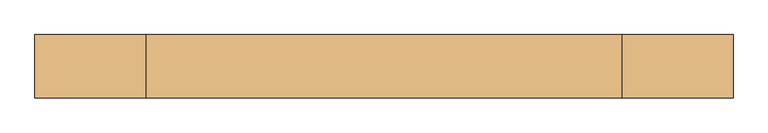
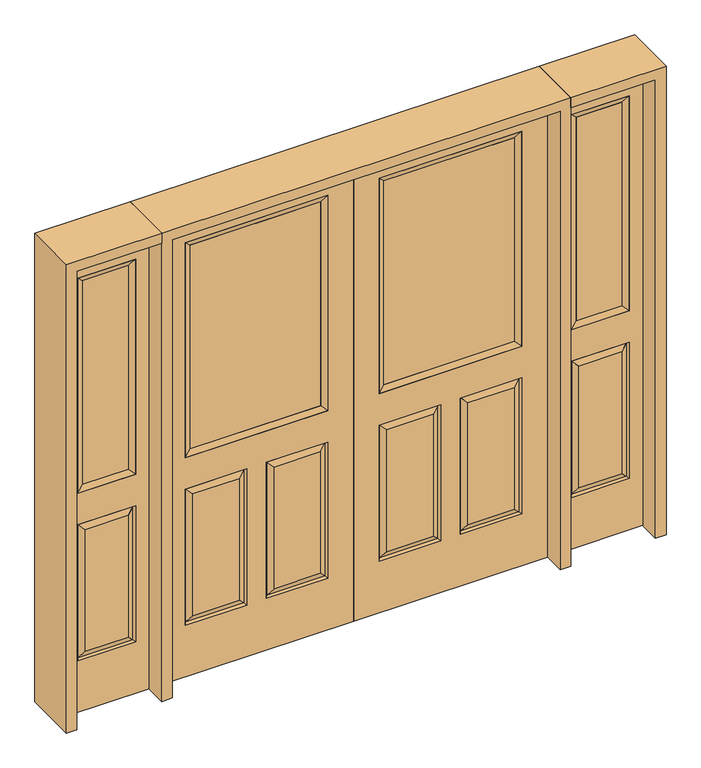
"""IFC4 building model written with IfcOpenShell, lengths in millimetres: door geometry."""

from ifc_helpers import new_model, si_unit, frame, origin, place, context, project, spatial, polyline, outline, extrude, faceted_brep, source, transform, mapped, element, save


def door_3842f77a(model_context):
    return source(origin(), model_context, "Body", "SolidModel", [
        faceted_brep([(812.8, -22.225, 0.0), (812.8, -22.225, 2032.0), (0.0, -22.225, 2032.0), (0.0, -22.225, 0.0), (705.739, -22.225, 971.55), (107.061, -22.225, 971.55), (107.061, -22.225, 1925.574), (705.739, -22.225, 1925.574), (705.739, -22.225, 831.85), (705.739, -22.225, 228.6), (447.675, -22.225, 228.6), (447.675, -22.225, 831.85), (365.125, -22.225, 831.85), (365.125, -22.225, 228.6), (107.061, -22.225, 228.6), (107.061, -22.225, 831.85), (479.425, -22.225, 800.1), (479.425, -22.225, 260.35), (673.989, -22.225, 260.35), (673.989, -22.225, 800.1), (138.811, -22.225, 800.1), (138.811, -22.225, 260.35), (333.375, -22.225, 260.35), (333.375, -22.225, 800.1), (0.0, 22.225, 0.0), (812.8, 22.225, 0.0), (0.0, 22.225, 2032.0), (812.8, 22.225, 2032.0), (705.739, 22.225, 1925.574), (705.739, 22.225, 971.55), (107.061, 22.225, 971.55), (107.061, 22.225, 1925.574), (698.59525, -12.7449236, 824.70625), (454.81875, -12.7449236, 824.70625), (698.59525, -12.7449236, 235.74375), (454.81875, -12.7449236, 235.74375), (114.20475, -12.7449236, 824.70625), (357.98125, -12.7449236, 824.70625), (357.98125, -12.7449236, 235.74375), (114.20475, -12.7449236, 235.74375), (447.675, 22.225, 831.85), (447.675, 22.225, 228.6), (705.739, 22.225, 228.6), (705.739, 22.225, 831.85), (107.061, 22.225, 831.85), (107.061, 22.225, 228.6), (365.125, 22.225, 228.6), (365.125, 22.225, 831.85), (673.989, 22.225, 800.1), (673.989, 22.225, 260.35), (479.425, 22.225, 260.35), (479.425, 22.225, 800.1), (333.375, 22.225, 800.1), (333.375, 22.225, 260.35), (138.811, 22.225, 260.35), (138.811, 22.225, 800.1), (698.59525, 12.7449236, 824.70625), (454.81875, 12.7449236, 824.70625), (454.81875, 12.7449236, 235.74375), (698.59525, 12.7449236, 235.74375), (114.20475, 12.7449236, 824.70625), (357.98125, 12.7449236, 824.70625), (114.20475, 12.7449236, 235.74375), (357.98125, 12.7449236, 235.74375)], [[[0, 1, 2, 3], [4, 5, 6, 7], [8, 9, 10, 11], [12, 13, 14, 15]], [[16, 17, 18, 19]], [[20, 21, 22, 23]], [[3, 24, 25, 0]], [[2, 26, 24, 3]], [[0, 25, 27, 1]], [[7, 28, 29, 4]], [[5, 30, 31, 6]], [[4, 29, 30, 5]], [[16, 19, 32, 33]], [[19, 18, 34, 32]], [[35, 34, 18, 17]], [[33, 35, 17, 16]], [[32, 8, 11, 33]], [[11, 10, 35, 33]], [[10, 9, 34, 35]], [[32, 34, 9, 8]], [[36, 20, 23, 37]], [[23, 22, 38, 37]], [[22, 21, 39, 38]], [[36, 39, 21, 20]], [[37, 12, 15, 36]], [[15, 14, 39, 36]], [[38, 39, 14, 13]], [[37, 38, 13, 12]], [[25, 24, 26, 27], [29, 28, 31, 30], [40, 41, 42, 43], [44, 45, 46, 47]], [[48, 49, 50, 51]], [[52, 53, 54, 55]], [[56, 48, 51, 57]], [[51, 50, 58, 57]], [[50, 49, 59, 58]], [[56, 59, 49, 48]], [[57, 40, 43, 56]], [[43, 42, 59, 56]], [[58, 59, 42, 41]], [[57, 58, 41, 40]], [[52, 55, 60, 61]], [[55, 54, 62, 60]], [[63, 62, 54, 53]], [[61, 63, 53, 52]], [[60, 44, 47, 61]], [[47, 46, 63, 61]], [[46, 45, 62, 63]], [[60, 62, 45, 44]], [[1, 27, 26, 2]], [[6, 31, 28, 7]]]),
        extrude(outline(polyline([(132.461, -12.7), (132.461, 12.7), (680.339, 12.7), (680.339, -12.7), (132.461, -12.7)])), frame((0.0, 0.0, 996.95), z_axis=(0.0, 0.0, 1.0), x_axis=(1.0, 0.0, 0.0)), (0.0, 0.0, 1.0), 903.224),
        faceted_brep([(705.739, -22.225, 1925.574), (705.739, -22.225, 971.55), (705.739, 22.225, 971.55), (705.739, 22.225, 1925.574), (107.061, -22.225, 971.55), (107.061, 22.225, 971.55), (132.461, 12.7, 996.95), (680.339, 12.7, 996.95), (107.061, -22.225, 1925.574), (107.061, 22.225, 1925.574), (680.339, -12.7, 996.95), (132.461, -12.7, 996.95), (680.339, -12.7, 1900.174), (132.461, -12.7, 1900.174), (680.339, 12.7, 1900.174), (132.461, 12.7, 1900.174)], [[[0, 1, 2, 3]], [[1, 4, 5, 2]], [[2, 5, 6, 7]], [[4, 8, 9, 5]], [[10, 11, 4, 1]], [[12, 10, 1, 0]], [[11, 13, 8, 4]], [[7, 6, 11, 10]], [[14, 7, 10, 12]], [[6, 15, 13, 11]], [[3, 2, 7, 14]], [[5, 9, 15, 6]], [[8, 0, 3, 9]], [[13, 12, 0, 8]], [[15, 14, 12, 13]], [[9, 3, 14, 15]]]),
        faceted_brep([(-812.8, -22.225, 0.0), (0.0, -22.225, 0.0), (0.0, -22.225, 2032.0), (-812.8, -22.225, 2032.0), (-705.739, -22.225, 971.55), (-705.739, -22.225, 1925.574), (-107.061, -22.225, 1925.574), (-107.061, -22.225, 971.55), (-705.739, -22.225, 831.85), (-447.675, -22.225, 831.85), (-447.675, -22.225, 228.6), (-705.739, -22.225, 228.6), (-365.125, -22.225, 831.85), (-107.061, -22.225, 831.85), (-107.061, -22.225, 228.6), (-365.125, -22.225, 228.6), (-479.425, -22.225, 800.1), (-673.989, -22.225, 800.1), (-673.989, -22.225, 260.35), (-479.425, -22.225, 260.35), (-138.811, -22.225, 800.1), (-333.375, -22.225, 800.1), (-333.375, -22.225, 260.35), (-138.811, -22.225, 260.35), (-812.8, 22.225, 0.0), (0.0, 22.225, 0.0), (0.0, 22.225, 2032.0), (-812.8, 22.225, 2032.0), (-705.739, 22.225, 971.55), (-705.739, 22.225, 1925.574), (-107.061, 22.225, 1925.574), (-107.061, 22.225, 971.55), (-454.81875, -12.7449236, 824.70625), (-698.59525, -12.7449236, 824.70625), (-698.59525, -12.7449236, 235.74375), (-454.81875, -12.7449236, 235.74375), (-114.20475, -12.7449236, 824.70625), (-357.98125, -12.7449236, 824.70625), (-357.98125, -12.7449236, 235.74375), (-114.20475, -12.7449236, 235.74375), (-447.675, 22.225, 831.85), (-705.739, 22.225, 831.85), (-705.739, 22.225, 228.6), (-447.675, 22.225, 228.6), (-107.061, 22.225, 831.85), (-365.125, 22.225, 831.85), (-365.125, 22.225, 228.6), (-107.061, 22.225, 228.6), (-673.989, 22.225, 800.1), (-479.425, 22.225, 800.1), (-479.425, 22.225, 260.35), (-673.989, 22.225, 260.35), (-333.375, 22.225, 800.1), (-138.811, 22.225, 800.1), (-138.811, 22.225, 260.35), (-333.375, 22.225, 260.35), (-698.59525, 12.7449236, 824.70625), (-454.81875, 12.7449236, 824.70625), (-454.81875, 12.7449236, 235.74375), (-698.59525, 12.7449236, 235.74375), (-357.98125, 12.7449236, 824.70625), (-114.20475, 12.7449236, 824.70625), (-114.20475, 12.7449236, 235.74375), (-357.98125, 12.7449236, 235.74375)], [[[0, 1, 2, 3], [4, 5, 6, 7], [8, 9, 10, 11], [12, 13, 14, 15]], [[16, 17, 18, 19]], [[20, 21, 22, 23]], [[1, 0, 24, 25]], [[2, 1, 25, 26]], [[0, 3, 27, 24]], [[5, 4, 28, 29]], [[7, 6, 30, 31]], [[4, 7, 31, 28]], [[16, 32, 33, 17]], [[17, 33, 34, 18]], [[35, 19, 18, 34]], [[32, 16, 19, 35]], [[33, 32, 9, 8]], [[9, 32, 35, 10]], [[10, 35, 34, 11]], [[33, 8, 11, 34]], [[36, 37, 21, 20]], [[21, 37, 38, 22]], [[22, 38, 39, 23]], [[36, 20, 23, 39]], [[37, 36, 13, 12]], [[13, 36, 39, 14]], [[38, 15, 14, 39]], [[37, 12, 15, 38]], [[24, 27, 26, 25], [28, 31, 30, 29], [40, 41, 42, 43], [44, 45, 46, 47]], [[48, 49, 50, 51]], [[52, 53, 54, 55]], [[56, 57, 49, 48]], [[49, 57, 58, 50]], [[50, 58, 59, 51]], [[56, 48, 51, 59]], [[57, 56, 41, 40]], [[41, 56, 59, 42]], [[58, 43, 42, 59]], [[57, 40, 43, 58]], [[52, 60, 61, 53]], [[53, 61, 62, 54]], [[63, 55, 54, 62]], [[60, 52, 55, 63]], [[61, 60, 45, 44]], [[45, 60, 63, 46]], [[46, 63, 62, 47]], [[61, 44, 47, 62]], [[3, 2, 26, 27]], [[6, 5, 29, 30]]]),
        extrude(outline(polyline([(-132.461, -12.7), (-680.339, -12.7), (-680.339, 12.7), (-132.461, 12.7), (-132.461, -12.7)])), frame((0.0, 0.0, 996.95), z_axis=(0.0, 0.0, 1.0), x_axis=(1.0, 0.0, 0.0)), (0.0, 0.0, 1.0), 903.224),
        faceted_brep([(-705.739, -22.225, 1925.574), (-705.739, 22.225, 1925.574), (-705.739, 22.225, 971.55), (-705.739, -22.225, 971.55), (-107.061, 22.225, 971.55), (-107.061, -22.225, 971.55), (-680.339, 12.7, 996.95), (-132.461, 12.7, 996.95), (-107.061, 22.225, 1925.574), (-107.061, -22.225, 1925.574), (-680.339, -12.7, 996.95), (-132.461, -12.7, 996.95), (-680.339, -12.7, 1900.174), (-132.461, -12.7, 1900.174), (-680.339, 12.7, 1900.174), (-132.461, 12.7, 1900.174)], [[[0, 1, 2, 3]], [[3, 2, 4, 5]], [[2, 6, 7, 4]], [[5, 4, 8, 9]], [[10, 3, 5, 11]], [[12, 0, 3, 10]], [[11, 5, 9, 13]], [[6, 10, 11, 7]], [[14, 12, 10, 6]], [[7, 11, 13, 15]], [[1, 14, 6, 2]], [[4, 7, 15, 8]], [[9, 8, 1, 0]], [[13, 9, 0, 12]], [[15, 13, 12, 14]], [[8, 15, 14, 1]]]),
        faceted_brep([(1212.85, -22.225, 0.0), (1212.85, -22.225, 2032.0), (857.25, -22.225, 2032.0), (857.25, -22.225, 0.0), (913.638, -22.225, 1925.574), (1156.462, -22.225, 1925.574), (1156.462, -22.225, 971.55), (913.638, -22.225, 971.55), (913.638, -22.225, 228.6), (913.638, -22.225, 831.85), (1156.462, -22.225, 831.85), (1156.462, -22.225, 228.6), (1124.5559872, -22.225, 260.5060128), (1124.5559872, -22.225, 799.9439872), (945.5440128, -22.225, 799.9439872), (945.5440128, -22.225, 260.5060128), (857.25, 22.225, 0.0), (1212.85, 22.225, 0.0), (857.25, 22.225, 2032.0), (1212.85, 22.225, 2032.0), (913.638, 22.225, 971.55), (913.638, 22.225, 1925.574), (1156.462, 22.225, 971.55), (1156.462, 22.225, 1925.574), (1156.462, 22.225, 228.6), (1156.462, 22.225, 831.85), (913.638, 22.225, 831.85), (913.638, 22.225, 228.6), (945.5440128, 22.225, 260.5060128), (945.5440128, 22.225, 799.9439872), (1124.5559872, 22.225, 799.9439872), (1124.5559872, 22.225, 260.5060128), (1149.5419933, -13.0418409, 235.5200067), (920.5580067, -13.0418409, 235.5200067), (1149.5419933, -13.0418409, 824.9299933), (920.5580067, -13.0418409, 824.9299933), (1149.5419933, 13.0418409, 235.5200067), (920.5580067, 13.0418409, 235.5200067), (920.5580067, 13.0418409, 824.9299933), (1149.5419933, 13.0418409, 824.9299933)], [[[0, 1, 2, 3], [4, 5, 6, 7], [8, 9, 10, 11]], [[12, 13, 14, 15]], [[3, 16, 17, 0]], [[2, 18, 16, 3]], [[0, 17, 19, 1]], [[7, 20, 21, 4]], [[6, 22, 20, 7]], [[5, 23, 22, 6]], [[17, 16, 18, 19], [21, 20, 22, 23], [24, 25, 26, 27]], [[28, 29, 30, 31]], [[1, 19, 18, 2]], [[4, 21, 23, 5]], [[8, 11, 32, 33]], [[11, 10, 34, 32]], [[35, 34, 10, 9]], [[33, 35, 9, 8]], [[32, 12, 15, 33]], [[15, 14, 35, 33]], [[14, 13, 34, 35]], [[32, 34, 13, 12]], [[36, 24, 27, 37]], [[27, 26, 38, 37]], [[26, 25, 39, 38]], [[36, 39, 25, 24]], [[37, 28, 31, 36]], [[31, 30, 39, 36]], [[38, 39, 30, 29]], [[37, 38, 29, 28]]]),
        extrude(outline(polyline([(939.038, -12.7), (939.038, 12.7), (1131.062, 12.7), (1131.062, -12.7), (939.038, -12.7)])), frame((0.0, 0.0, 996.95), z_axis=(0.0, 0.0, 1.0), x_axis=(1.0, 0.0, 0.0)), (0.0, 0.0, 1.0), 903.224),
        faceted_brep([(1156.462, -22.225, 1925.574), (1156.462, -22.225, 971.55), (1156.462, 22.225, 971.55), (1156.462, 22.225, 1925.574), (913.638, -22.225, 971.55), (913.638, 22.225, 971.55), (939.038, 12.7, 996.95), (1131.062, 12.7, 996.95), (913.638, -22.225, 1925.574), (913.638, 22.225, 1925.574), (1131.062, -12.7, 996.95), (939.038, -12.7, 996.95), (1131.062, -12.7, 1900.174), (939.038, -12.7, 1900.174), (1131.062, 12.7, 1900.174), (939.038, 12.7, 1900.174)], [[[0, 1, 2, 3]], [[1, 4, 5, 2]], [[2, 5, 6, 7]], [[4, 8, 9, 5]], [[10, 11, 4, 1]], [[12, 10, 1, 0]], [[11, 13, 8, 4]], [[7, 6, 11, 10]], [[14, 7, 10, 12]], [[6, 15, 13, 11]], [[3, 2, 7, 14]], [[5, 9, 15, 6]], [[8, 0, 3, 9]], [[13, 12, 0, 8]], [[15, 14, 12, 13]], [[9, 3, 14, 15]]]),
        faceted_brep([(-1212.85, -22.225, 0.0), (-857.25, -22.225, 0.0), (-857.25, -22.225, 2032.0), (-1212.85, -22.225, 2032.0), (-913.638, -22.225, 1925.574), (-913.638, -22.225, 971.55), (-1156.462, -22.225, 971.55), (-1156.462, -22.225, 1925.574), (-913.638, -22.225, 228.6), (-1156.462, -22.225, 228.6), (-1156.462, -22.225, 831.85), (-913.638, -22.225, 831.85), (-1124.5559872, -22.225, 260.5060128), (-945.5440128, -22.225, 260.5060128), (-945.5440128, -22.225, 799.9439872), (-1124.5559872, -22.225, 799.9439872), (-1212.85, 22.225, 0.0), (-857.25, 22.225, 0.0), (-857.25, 22.225, 2032.0), (-1212.85, 22.225, 2032.0), (-913.638, 22.225, 1925.574), (-913.638, 22.225, 971.55), (-1156.462, 22.225, 971.55), (-1156.462, 22.225, 1925.574), (-1156.462, 22.225, 228.6), (-913.638, 22.225, 228.6), (-913.638, 22.225, 831.85), (-1156.462, 22.225, 831.85), (-945.5440128, 22.225, 260.5060128), (-1124.5559872, 22.225, 260.5060128), (-1124.5559872, 22.225, 799.9439872), (-945.5440128, 22.225, 799.9439872), (-920.5580067, -13.0418409, 235.5200067), (-1149.5419933, -13.0418409, 235.5200067), (-1149.5419933, -13.0418409, 824.9299933), (-920.5580067, -13.0418409, 824.9299933), (-1149.5419933, 13.0418409, 235.5200067), (-920.5580067, 13.0418409, 235.5200067), (-920.5580067, 13.0418409, 824.9299933), (-1149.5419933, 13.0418409, 824.9299933)], [[[0, 1, 2, 3], [4, 5, 6, 7], [8, 9, 10, 11]], [[12, 13, 14, 15]], [[1, 0, 16, 17]], [[2, 1, 17, 18]], [[0, 3, 19, 16]], [[5, 4, 20, 21]], [[6, 5, 21, 22]], [[7, 6, 22, 23]], [[16, 19, 18, 17], [20, 23, 22, 21], [24, 25, 26, 27]], [[28, 29, 30, 31]], [[3, 2, 18, 19]], [[4, 7, 23, 20]], [[8, 32, 33, 9]], [[9, 33, 34, 10]], [[35, 11, 10, 34]], [[32, 8, 11, 35]], [[33, 32, 13, 12]], [[13, 32, 35, 14]], [[14, 35, 34, 15]], [[33, 12, 15, 34]], [[36, 37, 25, 24]], [[25, 37, 38, 26]], [[26, 38, 39, 27]], [[36, 24, 27, 39]], [[37, 36, 29, 28]], [[29, 36, 39, 30]], [[38, 31, 30, 39]], [[37, 28, 31, 38]]]),
        extrude(outline(polyline([(-939.038, -12.7), (-1131.062, -12.7), (-1131.062, 12.7), (-939.038, 12.7), (-939.038, -12.7)])), frame((0.0, 0.0, 996.95), z_axis=(0.0, 0.0, 1.0), x_axis=(1.0, 0.0, 0.0)), (0.0, 0.0, 1.0), 903.224),
        faceted_brep([(-1156.462, -22.225, 1925.574), (-1156.462, 22.225, 1925.574), (-1156.462, 22.225, 971.55), (-1156.462, -22.225, 971.55), (-913.638, 22.225, 971.55), (-913.638, -22.225, 971.55), (-1131.062, 12.7, 996.95), (-939.038, 12.7, 996.95), (-913.638, 22.225, 1925.574), (-913.638, -22.225, 1925.574), (-1131.062, -12.7, 996.95), (-939.038, -12.7, 996.95), (-1131.062, -12.7, 1900.174), (-939.038, -12.7, 1900.174), (-1131.062, 12.7, 1900.174), (-939.038, 12.7, 1900.174)], [[[0, 1, 2, 3]], [[3, 2, 4, 5]], [[2, 6, 7, 4]], [[5, 4, 8, 9]], [[10, 3, 5, 11]], [[12, 0, 3, 10]], [[11, 5, 9, 13]], [[6, 10, 11, 7]], [[14, 12, 10, 6]], [[7, 11, 13, 15]], [[1, 14, 6, 2]], [[4, 7, 15, 8]], [[9, 8, 1, 0]], [[13, 9, 0, 12]], [[15, 13, 12, 14]], [[8, 15, 14, 1]]]),
        extrude(outline(polyline([(2032.0, -857.25), (2076.45, -857.25), (2076.45, -1257.3), (0.0, -1257.3), (0.0, -1212.85), (2032.0, -1212.85), (2032.0, -857.25)])), frame((0.0, -114.3, 0.0), z_axis=(0.0, 1.0, 0.0), x_axis=(0.0, 0.0, 1.0)), (0.0, 0.0, 1.0), 228.6),
        extrude(outline(polyline([(2076.45, 857.25), (2032.0, 857.25), (2032.0, 1212.85), (0.0, 1212.85), (0.0, 1257.3), (2076.45, 1257.3), (2076.45, 857.25)])), frame((0.0, -114.3, 0.0), z_axis=(0.0, 1.0, 0.0), x_axis=(0.0, 0.0, 1.0)), (0.0, 0.0, 1.0), 228.6),
        extrude(outline(polyline([(0.0, -857.25), (0.0, -812.8), (2032.0, -812.8), (2032.0, 812.8), (0.0, 812.8), (0.0, 857.25), (2076.45, 857.25), (2076.45, -857.25), (0.0, -857.25)])), frame((0.0, -114.3, 0.0), z_axis=(0.0, 1.0, 0.0), x_axis=(0.0, 0.0, 1.0)), (0.0, 0.0, 1.0), 228.6),
    ])


if __name__ == "__main__":
    model = new_model("IFC4")
    model_context = context("Model", 3, world=origin())
    ifc_project = project(units=[si_unit("LENGTHUNIT", "METRE", prefix="MILLI")], contexts=[model_context])
    site = spatial("IfcSite", under=ifc_project)
    building = spatial("IfcBuilding", under=site)
    placement = place(None, origin())
    door_shape = door_3842f77a(model_context)
    element("IfcDoor", 1, at=placement, inside=building, context=model_context, shape_type="MappedRepresentation", body=[
        mapped(door_shape, transform((0.0, 0.0, 0.0), x_axis=(1.0, 0.0, 0.0), y_axis=(0.0, 1.0, 0.0), z_axis=(0.0, 0.0, 1.0))),
    ])
    save(model, "model.ifc")
